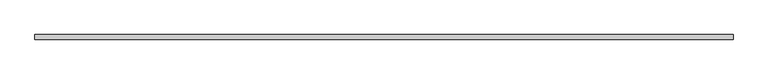
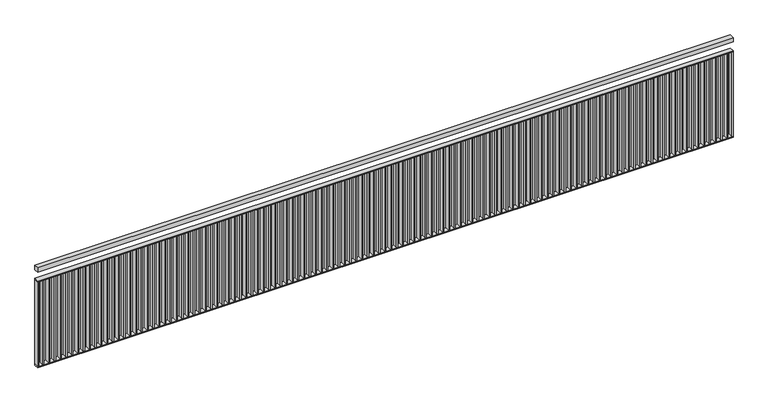
"""IFC4 building model written with IfcOpenShell, lengths in millimetres: railing geometry."""

from ifc_helpers import new_model, si_unit, frame, origin, place, context, project, spatial, polyline, outline, extrude, source, transform, mapped, element, save


def railing_fabb6292(model_context):
    return source(origin(), model_context, "Body", "SweptSolid", [
        extrude(outline(polyline([(1000.0, 1210.0), (1000.0, 1250.0), (7000.0, 1250.0), (7000.0, 1210.0), (1000.0, 1210.0)])), frame((0.0, 0.0, 1960.0), z_axis=(0.0, 0.0, 1.0), x_axis=(1.0, 0.0, 0.0)), (0.0, 0.0, 1.0), 40.0),
        extrude(outline(polyline([(1000.0, 1210.0), (1000.0, 1250.0), (7000.0, 1250.0), (7000.0, 1210.0), (1000.0, 1210.0)])), frame((0.0, 0.0, 1870.0), z_axis=(0.0, 0.0, 1.0), x_axis=(1.0, 0.0, 0.0)), (0.0, 0.0, 1.0), 10.0),
        extrude(outline(polyline([(1000.0, 1210.0), (1000.0, 1250.0), (7000.0, 1250.0), (7000.0, 1210.0), (1000.0, 1210.0)])), frame((0.0, 0.0, 1090.0), z_axis=(0.0, 0.0, 1.0), x_axis=(1.0, 0.0, 0.0)), (0.0, 0.0, 1.0), 10.0),
        extrude(outline(polyline([(6945.0, 1210.0), (6945.0, 1250.0), (6955.0, 1250.0), (6955.0, 1210.0), (6945.0, 1210.0)])), frame((0.0, 0.0, 1100.0), z_axis=(0.0, 0.0, 1.0), x_axis=(1.0, 0.0, 0.0)), (0.0, 0.0, 1.0), 770.0),
        extrude(outline(polyline([(6895.0, 1210.0), (6895.0, 1250.0), (6905.0, 1250.0), (6905.0, 1210.0), (6895.0, 1210.0)])), frame((0.0, 0.0, 1100.0), z_axis=(0.0, 0.0, 1.0), x_axis=(1.0, 0.0, 0.0)), (0.0, 0.0, 1.0), 770.0),
        extrude(outline(polyline([(6845.0, 1210.0), (6845.0, 1250.0), (6855.0, 1250.0), (6855.0, 1210.0), (6845.0, 1210.0)])), frame((0.0, 0.0, 1100.0), z_axis=(0.0, 0.0, 1.0), x_axis=(1.0, 0.0, 0.0)), (0.0, 0.0, 1.0), 770.0),
        extrude(outline(polyline([(6795.0, 1210.0), (6795.0, 1250.0), (6805.0, 1250.0), (6805.0, 1210.0), (6795.0, 1210.0)])), frame((0.0, 0.0, 1100.0), z_axis=(0.0, 0.0, 1.0), x_axis=(1.0, 0.0, 0.0)), (0.0, 0.0, 1.0), 770.0),
        extrude(outline(polyline([(6745.0, 1210.0), (6745.0, 1250.0), (6755.0, 1250.0), (6755.0, 1210.0), (6745.0, 1210.0)])), frame((0.0, 0.0, 1100.0), z_axis=(0.0, 0.0, 1.0), x_axis=(1.0, 0.0, 0.0)), (0.0, 0.0, 1.0), 770.0),
        extrude(outline(polyline([(6695.0, 1210.0), (6695.0, 1250.0), (6705.0, 1250.0), (6705.0, 1210.0), (6695.0, 1210.0)])), frame((0.0, 0.0, 1100.0), z_axis=(0.0, 0.0, 1.0), x_axis=(1.0, 0.0, 0.0)), (0.0, 0.0, 1.0), 770.0),
        extrude(outline(polyline([(6645.0, 1210.0), (6645.0, 1250.0), (6655.0, 1250.0), (6655.0, 1210.0), (6645.0, 1210.0)])), frame((0.0, 0.0, 1100.0), z_axis=(0.0, 0.0, 1.0), x_axis=(1.0, 0.0, 0.0)), (0.0, 0.0, 1.0), 770.0),
        extrude(outline(polyline([(6595.0, 1210.0), (6595.0, 1250.0), (6605.0, 1250.0), (6605.0, 1210.0), (6595.0, 1210.0)])), frame((0.0, 0.0, 1100.0), z_axis=(0.0, 0.0, 1.0), x_axis=(1.0, 0.0, 0.0)), (0.0, 0.0, 1.0), 770.0),
        extrude(outline(polyline([(6545.0, 1210.0), (6545.0, 1250.0), (6555.0, 1250.0), (6555.0, 1210.0), (6545.0, 1210.0)])), frame((0.0, 0.0, 1100.0), z_axis=(0.0, 0.0, 1.0), x_axis=(1.0, 0.0, 0.0)), (0.0, 0.0, 1.0), 770.0),
        extrude(outline(polyline([(6495.0, 1210.0), (6495.0, 1250.0), (6505.0, 1250.0), (6505.0, 1210.0), (6495.0, 1210.0)])), frame((0.0, 0.0, 1100.0), z_axis=(0.0, 0.0, 1.0), x_axis=(1.0, 0.0, 0.0)), (0.0, 0.0, 1.0), 770.0),
        extrude(outline(polyline([(6445.0, 1210.0), (6445.0, 1250.0), (6455.0, 1250.0), (6455.0, 1210.0), (6445.0, 1210.0)])), frame((0.0, 0.0, 1100.0), z_axis=(0.0, 0.0, 1.0), x_axis=(1.0, 0.0, 0.0)), (0.0, 0.0, 1.0), 770.0),
        extrude(outline(polyline([(6395.0, 1210.0), (6395.0, 1250.0), (6405.0, 1250.0), (6405.0, 1210.0), (6395.0, 1210.0)])), frame((0.0, 0.0, 1100.0), z_axis=(0.0, 0.0, 1.0), x_axis=(1.0, 0.0, 0.0)), (0.0, 0.0, 1.0), 770.0),
        extrude(outline(polyline([(6345.0, 1210.0), (6345.0, 1250.0), (6355.0, 1250.0), (6355.0, 1210.0), (6345.0, 1210.0)])), frame((0.0, 0.0, 1100.0), z_axis=(0.0, 0.0, 1.0), x_axis=(1.0, 0.0, 0.0)), (0.0, 0.0, 1.0), 770.0),
        extrude(outline(polyline([(6295.0, 1210.0), (6295.0, 1250.0), (6305.0, 1250.0), (6305.0, 1210.0), (6295.0, 1210.0)])), frame((0.0, 0.0, 1100.0), z_axis=(0.0, 0.0, 1.0), x_axis=(1.0, 0.0, 0.0)), (0.0, 0.0, 1.0), 770.0),
        extrude(outline(polyline([(6245.0, 1210.0), (6245.0, 1250.0), (6255.0, 1250.0), (6255.0, 1210.0), (6245.0, 1210.0)])), frame((0.0, 0.0, 1100.0), z_axis=(0.0, 0.0, 1.0), x_axis=(1.0, 0.0, 0.0)), (0.0, 0.0, 1.0), 770.0),
        extrude(outline(polyline([(6195.0, 1210.0), (6195.0, 1250.0), (6205.0, 1250.0), (6205.0, 1210.0), (6195.0, 1210.0)])), frame((0.0, 0.0, 1100.0), z_axis=(0.0, 0.0, 1.0), x_axis=(1.0, 0.0, 0.0)), (0.0, 0.0, 1.0), 770.0),
        extrude(outline(polyline([(6145.0, 1210.0), (6145.0, 1250.0), (6155.0, 1250.0), (6155.0, 1210.0), (6145.0, 1210.0)])), frame((0.0, 0.0, 1100.0), z_axis=(0.0, 0.0, 1.0), x_axis=(1.0, 0.0, 0.0)), (0.0, 0.0, 1.0), 770.0),
        extrude(outline(polyline([(6095.0, 1210.0), (6095.0, 1250.0), (6105.0, 1250.0), (6105.0, 1210.0), (6095.0, 1210.0)])), frame((0.0, 0.0, 1100.0), z_axis=(0.0, 0.0, 1.0), x_axis=(1.0, 0.0, 0.0)), (0.0, 0.0, 1.0), 770.0),
        extrude(outline(polyline([(6045.0, 1210.0), (6045.0, 1250.0), (6055.0, 1250.0), (6055.0, 1210.0), (6045.0, 1210.0)])), frame((0.0, 0.0, 1100.0), z_axis=(0.0, 0.0, 1.0), x_axis=(1.0, 0.0, 0.0)), (0.0, 0.0, 1.0), 770.0),
        extrude(outline(polyline([(5995.0, 1210.0), (5995.0, 1250.0), (6005.0, 1250.0), (6005.0, 1210.0), (5995.0, 1210.0)])), frame((0.0, 0.0, 1100.0), z_axis=(0.0, 0.0, 1.0), x_axis=(1.0, 0.0, 0.0)), (0.0, 0.0, 1.0), 770.0),
        extrude(outline(polyline([(5945.0, 1210.0), (5945.0, 1250.0), (5955.0, 1250.0), (5955.0, 1210.0), (5945.0, 1210.0)])), frame((0.0, 0.0, 1100.0), z_axis=(0.0, 0.0, 1.0), x_axis=(1.0, 0.0, 0.0)), (0.0, 0.0, 1.0), 770.0),
        extrude(outline(polyline([(5895.0, 1210.0), (5895.0, 1250.0), (5905.0, 1250.0), (5905.0, 1210.0), (5895.0, 1210.0)])), frame((0.0, 0.0, 1100.0), z_axis=(0.0, 0.0, 1.0), x_axis=(1.0, 0.0, 0.0)), (0.0, 0.0, 1.0), 770.0),
        extrude(outline(polyline([(5845.0, 1210.0), (5845.0, 1250.0), (5855.0, 1250.0), (5855.0, 1210.0), (5845.0, 1210.0)])), frame((0.0, 0.0, 1100.0), z_axis=(0.0, 0.0, 1.0), x_axis=(1.0, 0.0, 0.0)), (0.0, 0.0, 1.0), 770.0),
        extrude(outline(polyline([(5795.0, 1210.0), (5795.0, 1250.0), (5805.0, 1250.0), (5805.0, 1210.0), (5795.0, 1210.0)])), frame((0.0, 0.0, 1100.0), z_axis=(0.0, 0.0, 1.0), x_axis=(1.0, 0.0, 0.0)), (0.0, 0.0, 1.0), 770.0),
        extrude(outline(polyline([(5745.0, 1210.0), (5745.0, 1250.0), (5755.0, 1250.0), (5755.0, 1210.0), (5745.0, 1210.0)])), frame((0.0, 0.0, 1100.0), z_axis=(0.0, 0.0, 1.0), x_axis=(1.0, 0.0, 0.0)), (0.0, 0.0, 1.0), 770.0),
        extrude(outline(polyline([(5695.0, 1210.0), (5695.0, 1250.0), (5705.0, 1250.0), (5705.0, 1210.0), (5695.0, 1210.0)])), frame((0.0, 0.0, 1100.0), z_axis=(0.0, 0.0, 1.0), x_axis=(1.0, 0.0, 0.0)), (0.0, 0.0, 1.0), 770.0),
        extrude(outline(polyline([(5645.0, 1210.0), (5645.0, 1250.0), (5655.0, 1250.0), (5655.0, 1210.0), (5645.0, 1210.0)])), frame((0.0, 0.0, 1100.0), z_axis=(0.0, 0.0, 1.0), x_axis=(1.0, 0.0, 0.0)), (0.0, 0.0, 1.0), 770.0),
        extrude(outline(polyline([(5595.0, 1210.0), (5595.0, 1250.0), (5605.0, 1250.0), (5605.0, 1210.0), (5595.0, 1210.0)])), frame((0.0, 0.0, 1100.0), z_axis=(0.0, 0.0, 1.0), x_axis=(1.0, 0.0, 0.0)), (0.0, 0.0, 1.0), 770.0),
        extrude(outline(polyline([(5545.0, 1210.0), (5545.0, 1250.0), (5555.0, 1250.0), (5555.0, 1210.0), (5545.0, 1210.0)])), frame((0.0, 0.0, 1100.0), z_axis=(0.0, 0.0, 1.0), x_axis=(1.0, 0.0, 0.0)), (0.0, 0.0, 1.0), 770.0),
        extrude(outline(polyline([(5495.0, 1210.0), (5495.0, 1250.0), (5505.0, 1250.0), (5505.0, 1210.0), (5495.0, 1210.0)])), frame((0.0, 0.0, 1100.0), z_axis=(0.0, 0.0, 1.0), x_axis=(1.0, 0.0, 0.0)), (0.0, 0.0, 1.0), 770.0),
        extrude(outline(polyline([(5445.0, 1210.0), (5445.0, 1250.0), (5455.0, 1250.0), (5455.0, 1210.0), (5445.0, 1210.0)])), frame((0.0, 0.0, 1100.0), z_axis=(0.0, 0.0, 1.0), x_axis=(1.0, 0.0, 0.0)), (0.0, 0.0, 1.0), 770.0),
        extrude(outline(polyline([(5395.0, 1210.0), (5395.0, 1250.0), (5405.0, 1250.0), (5405.0, 1210.0), (5395.0, 1210.0)])), frame((0.0, 0.0, 1100.0), z_axis=(0.0, 0.0, 1.0), x_axis=(1.0, 0.0, 0.0)), (0.0, 0.0, 1.0), 770.0),
        extrude(outline(polyline([(5345.0, 1210.0), (5345.0, 1250.0), (5355.0, 1250.0), (5355.0, 1210.0), (5345.0, 1210.0)])), frame((0.0, 0.0, 1100.0), z_axis=(0.0, 0.0, 1.0), x_axis=(1.0, 0.0, 0.0)), (0.0, 0.0, 1.0), 770.0),
        extrude(outline(polyline([(5295.0, 1210.0), (5295.0, 1250.0), (5305.0, 1250.0), (5305.0, 1210.0), (5295.0, 1210.0)])), frame((0.0, 0.0, 1100.0), z_axis=(0.0, 0.0, 1.0), x_axis=(1.0, 0.0, 0.0)), (0.0, 0.0, 1.0), 770.0),
        extrude(outline(polyline([(5245.0, 1210.0), (5245.0, 1250.0), (5255.0, 1250.0), (5255.0, 1210.0), (5245.0, 1210.0)])), frame((0.0, 0.0, 1100.0), z_axis=(0.0, 0.0, 1.0), x_axis=(1.0, 0.0, 0.0)), (0.0, 0.0, 1.0), 770.0),
        extrude(outline(polyline([(5195.0, 1210.0), (5195.0, 1250.0), (5205.0, 1250.0), (5205.0, 1210.0), (5195.0, 1210.0)])), frame((0.0, 0.0, 1100.0), z_axis=(0.0, 0.0, 1.0), x_axis=(1.0, 0.0, 0.0)), (0.0, 0.0, 1.0), 770.0),
        extrude(outline(polyline([(5145.0, 1210.0), (5145.0, 1250.0), (5155.0, 1250.0), (5155.0, 1210.0), (5145.0, 1210.0)])), frame((0.0, 0.0, 1100.0), z_axis=(0.0, 0.0, 1.0), x_axis=(1.0, 0.0, 0.0)), (0.0, 0.0, 1.0), 770.0),
        extrude(outline(polyline([(5095.0, 1210.0), (5095.0, 1250.0), (5105.0, 1250.0), (5105.0, 1210.0), (5095.0, 1210.0)])), frame((0.0, 0.0, 1100.0), z_axis=(0.0, 0.0, 1.0), x_axis=(1.0, 0.0, 0.0)), (0.0, 0.0, 1.0), 770.0),
        extrude(outline(polyline([(5045.0, 1210.0), (5045.0, 1250.0), (5055.0, 1250.0), (5055.0, 1210.0), (5045.0, 1210.0)])), frame((0.0, 0.0, 1100.0), z_axis=(0.0, 0.0, 1.0), x_axis=(1.0, 0.0, 0.0)), (0.0, 0.0, 1.0), 770.0),
        extrude(outline(polyline([(4995.0, 1210.0), (4995.0, 1250.0), (5005.0, 1250.0), (5005.0, 1210.0), (4995.0, 1210.0)])), frame((0.0, 0.0, 1100.0), z_axis=(0.0, 0.0, 1.0), x_axis=(1.0, 0.0, 0.0)), (0.0, 0.0, 1.0), 770.0),
        extrude(outline(polyline([(4945.0, 1210.0), (4945.0, 1250.0), (4955.0, 1250.0), (4955.0, 1210.0), (4945.0, 1210.0)])), frame((0.0, 0.0, 1100.0), z_axis=(0.0, 0.0, 1.0), x_axis=(1.0, 0.0, 0.0)), (0.0, 0.0, 1.0), 770.0),
        extrude(outline(polyline([(4895.0, 1210.0), (4895.0, 1250.0), (4905.0, 1250.0), (4905.0, 1210.0), (4895.0, 1210.0)])), frame((0.0, 0.0, 1100.0), z_axis=(0.0, 0.0, 1.0), x_axis=(1.0, 0.0, 0.0)), (0.0, 0.0, 1.0), 770.0),
        extrude(outline(polyline([(4845.0, 1210.0), (4845.0, 1250.0), (4855.0, 1250.0), (4855.0, 1210.0), (4845.0, 1210.0)])), frame((0.0, 0.0, 1100.0), z_axis=(0.0, 0.0, 1.0), x_axis=(1.0, 0.0, 0.0)), (0.0, 0.0, 1.0), 770.0),
        extrude(outline(polyline([(4795.0, 1210.0), (4795.0, 1250.0), (4805.0, 1250.0), (4805.0, 1210.0), (4795.0, 1210.0)])), frame((0.0, 0.0, 1100.0), z_axis=(0.0, 0.0, 1.0), x_axis=(1.0, 0.0, 0.0)), (0.0, 0.0, 1.0), 770.0),
        extrude(outline(polyline([(4745.0, 1210.0), (4745.0, 1250.0), (4755.0, 1250.0), (4755.0, 1210.0), (4745.0, 1210.0)])), frame((0.0, 0.0, 1100.0), z_axis=(0.0, 0.0, 1.0), x_axis=(1.0, 0.0, 0.0)), (0.0, 0.0, 1.0), 770.0),
        extrude(outline(polyline([(4695.0, 1210.0), (4695.0, 1250.0), (4705.0, 1250.0), (4705.0, 1210.0), (4695.0, 1210.0)])), frame((0.0, 0.0, 1100.0), z_axis=(0.0, 0.0, 1.0), x_axis=(1.0, 0.0, 0.0)), (0.0, 0.0, 1.0), 770.0),
        extrude(outline(polyline([(4645.0, 1210.0), (4645.0, 1250.0), (4655.0, 1250.0), (4655.0, 1210.0), (4645.0, 1210.0)])), frame((0.0, 0.0, 1100.0), z_axis=(0.0, 0.0, 1.0), x_axis=(1.0, 0.0, 0.0)), (0.0, 0.0, 1.0), 770.0),
        extrude(outline(polyline([(4595.0, 1210.0), (4595.0, 1250.0), (4605.0, 1250.0), (4605.0, 1210.0), (4595.0, 1210.0)])), frame((0.0, 0.0, 1100.0), z_axis=(0.0, 0.0, 1.0), x_axis=(1.0, 0.0, 0.0)), (0.0, 0.0, 1.0), 770.0),
        extrude(outline(polyline([(4545.0, 1210.0), (4545.0, 1250.0), (4555.0, 1250.0), (4555.0, 1210.0), (4545.0, 1210.0)])), frame((0.0, 0.0, 1100.0), z_axis=(0.0, 0.0, 1.0), x_axis=(1.0, 0.0, 0.0)), (0.0, 0.0, 1.0), 770.0),
        extrude(outline(polyline([(4495.0, 1210.0), (4495.0, 1250.0), (4505.0, 1250.0), (4505.0, 1210.0), (4495.0, 1210.0)])), frame((0.0, 0.0, 1100.0), z_axis=(0.0, 0.0, 1.0), x_axis=(1.0, 0.0, 0.0)), (0.0, 0.0, 1.0), 770.0),
        extrude(outline(polyline([(4445.0, 1210.0), (4445.0, 1250.0), (4455.0, 1250.0), (4455.0, 1210.0), (4445.0, 1210.0)])), frame((0.0, 0.0, 1100.0), z_axis=(0.0, 0.0, 1.0), x_axis=(1.0, 0.0, 0.0)), (0.0, 0.0, 1.0), 770.0),
        extrude(outline(polyline([(4395.0, 1210.0), (4395.0, 1250.0), (4405.0, 1250.0), (4405.0, 1210.0), (4395.0, 1210.0)])), frame((0.0, 0.0, 1100.0), z_axis=(0.0, 0.0, 1.0), x_axis=(1.0, 0.0, 0.0)), (0.0, 0.0, 1.0), 770.0),
        extrude(outline(polyline([(4345.0, 1210.0), (4345.0, 1250.0), (4355.0, 1250.0), (4355.0, 1210.0), (4345.0, 1210.0)])), frame((0.0, 0.0, 1100.0), z_axis=(0.0, 0.0, 1.0), x_axis=(1.0, 0.0, 0.0)), (0.0, 0.0, 1.0), 770.0),
        extrude(outline(polyline([(4295.0, 1210.0), (4295.0, 1250.0), (4305.0, 1250.0), (4305.0, 1210.0), (4295.0, 1210.0)])), frame((0.0, 0.0, 1100.0), z_axis=(0.0, 0.0, 1.0), x_axis=(1.0, 0.0, 0.0)), (0.0, 0.0, 1.0), 770.0),
        extrude(outline(polyline([(4245.0, 1210.0), (4245.0, 1250.0), (4255.0, 1250.0), (4255.0, 1210.0), (4245.0, 1210.0)])), frame((0.0, 0.0, 1100.0), z_axis=(0.0, 0.0, 1.0), x_axis=(1.0, 0.0, 0.0)), (0.0, 0.0, 1.0), 770.0),
        extrude(outline(polyline([(4195.0, 1210.0), (4195.0, 1250.0), (4205.0, 1250.0), (4205.0, 1210.0), (4195.0, 1210.0)])), frame((0.0, 0.0, 1100.0), z_axis=(0.0, 0.0, 1.0), x_axis=(1.0, 0.0, 0.0)), (0.0, 0.0, 1.0), 770.0),
        extrude(outline(polyline([(4145.0, 1210.0), (4145.0, 1250.0), (4155.0, 1250.0), (4155.0, 1210.0), (4145.0, 1210.0)])), frame((0.0, 0.0, 1100.0), z_axis=(0.0, 0.0, 1.0), x_axis=(1.0, 0.0, 0.0)), (0.0, 0.0, 1.0), 770.0),
        extrude(outline(polyline([(4095.0, 1210.0), (4095.0, 1250.0), (4105.0, 1250.0), (4105.0, 1210.0), (4095.0, 1210.0)])), frame((0.0, 0.0, 1100.0), z_axis=(0.0, 0.0, 1.0), x_axis=(1.0, 0.0, 0.0)), (0.0, 0.0, 1.0), 770.0),
        extrude(outline(polyline([(4045.0, 1210.0), (4045.0, 1250.0), (4055.0, 1250.0), (4055.0, 1210.0), (4045.0, 1210.0)])), frame((0.0, 0.0, 1100.0), z_axis=(0.0, 0.0, 1.0), x_axis=(1.0, 0.0, 0.0)), (0.0, 0.0, 1.0), 770.0),
        extrude(outline(polyline([(3995.0, 1210.0), (3995.0, 1250.0), (4005.0, 1250.0), (4005.0, 1210.0), (3995.0, 1210.0)])), frame((0.0, 0.0, 1100.0), z_axis=(0.0, 0.0, 1.0), x_axis=(1.0, 0.0, 0.0)), (0.0, 0.0, 1.0), 770.0),
        extrude(outline(polyline([(3945.0, 1210.0), (3945.0, 1250.0), (3955.0, 1250.0), (3955.0, 1210.0), (3945.0, 1210.0)])), frame((0.0, 0.0, 1100.0), z_axis=(0.0, 0.0, 1.0), x_axis=(1.0, 0.0, 0.0)), (0.0, 0.0, 1.0), 770.0),
        extrude(outline(polyline([(3895.0, 1210.0), (3895.0, 1250.0), (3905.0, 1250.0), (3905.0, 1210.0), (3895.0, 1210.0)])), frame((0.0, 0.0, 1100.0), z_axis=(0.0, 0.0, 1.0), x_axis=(1.0, 0.0, 0.0)), (0.0, 0.0, 1.0), 770.0),
        extrude(outline(polyline([(3845.0, 1210.0), (3845.0, 1250.0), (3855.0, 1250.0), (3855.0, 1210.0), (3845.0, 1210.0)])), frame((0.0, 0.0, 1100.0), z_axis=(0.0, 0.0, 1.0), x_axis=(1.0, 0.0, 0.0)), (0.0, 0.0, 1.0), 770.0),
        extrude(outline(polyline([(3795.0, 1210.0), (3795.0, 1250.0), (3805.0, 1250.0), (3805.0, 1210.0), (3795.0, 1210.0)])), frame((0.0, 0.0, 1100.0), z_axis=(0.0, 0.0, 1.0), x_axis=(1.0, 0.0, 0.0)), (0.0, 0.0, 1.0), 770.0),
        extrude(outline(polyline([(3745.0, 1210.0), (3745.0, 1250.0), (3755.0, 1250.0), (3755.0, 1210.0), (3745.0, 1210.0)])), frame((0.0, 0.0, 1100.0), z_axis=(0.0, 0.0, 1.0), x_axis=(1.0, 0.0, 0.0)), (0.0, 0.0, 1.0), 770.0),
        extrude(outline(polyline([(3695.0, 1210.0), (3695.0, 1250.0), (3705.0, 1250.0), (3705.0, 1210.0), (3695.0, 1210.0)])), frame((0.0, 0.0, 1100.0), z_axis=(0.0, 0.0, 1.0), x_axis=(1.0, 0.0, 0.0)), (0.0, 0.0, 1.0), 770.0),
        extrude(outline(polyline([(3645.0, 1210.0), (3645.0, 1250.0), (3655.0, 1250.0), (3655.0, 1210.0), (3645.0, 1210.0)])), frame((0.0, 0.0, 1100.0), z_axis=(0.0, 0.0, 1.0), x_axis=(1.0, 0.0, 0.0)), (0.0, 0.0, 1.0), 770.0),
        extrude(outline(polyline([(3595.0, 1210.0), (3595.0, 1250.0), (3605.0, 1250.0), (3605.0, 1210.0), (3595.0, 1210.0)])), frame((0.0, 0.0, 1100.0), z_axis=(0.0, 0.0, 1.0), x_axis=(1.0, 0.0, 0.0)), (0.0, 0.0, 1.0), 770.0),
        extrude(outline(polyline([(3545.0, 1210.0), (3545.0, 1250.0), (3555.0, 1250.0), (3555.0, 1210.0), (3545.0, 1210.0)])), frame((0.0, 0.0, 1100.0), z_axis=(0.0, 0.0, 1.0), x_axis=(1.0, 0.0, 0.0)), (0.0, 0.0, 1.0), 770.0),
        extrude(outline(polyline([(3495.0, 1210.0), (3495.0, 1250.0), (3505.0, 1250.0), (3505.0, 1210.0), (3495.0, 1210.0)])), frame((0.0, 0.0, 1100.0), z_axis=(0.0, 0.0, 1.0), x_axis=(1.0, 0.0, 0.0)), (0.0, 0.0, 1.0), 770.0),
        extrude(outline(polyline([(3445.0, 1210.0), (3445.0, 1250.0), (3455.0, 1250.0), (3455.0, 1210.0), (3445.0, 1210.0)])), frame((0.0, 0.0, 1100.0), z_axis=(0.0, 0.0, 1.0), x_axis=(1.0, 0.0, 0.0)), (0.0, 0.0, 1.0), 770.0),
        extrude(outline(polyline([(3395.0, 1210.0), (3395.0, 1250.0), (3405.0, 1250.0), (3405.0, 1210.0), (3395.0, 1210.0)])), frame((0.0, 0.0, 1100.0), z_axis=(0.0, 0.0, 1.0), x_axis=(1.0, 0.0, 0.0)), (0.0, 0.0, 1.0), 770.0),
        extrude(outline(polyline([(3345.0, 1210.0), (3345.0, 1250.0), (3355.0, 1250.0), (3355.0, 1210.0), (3345.0, 1210.0)])), frame((0.0, 0.0, 1100.0), z_axis=(0.0, 0.0, 1.0), x_axis=(1.0, 0.0, 0.0)), (0.0, 0.0, 1.0), 770.0),
        extrude(outline(polyline([(3295.0, 1210.0), (3295.0, 1250.0), (3305.0, 1250.0), (3305.0, 1210.0), (3295.0, 1210.0)])), frame((0.0, 0.0, 1100.0), z_axis=(0.0, 0.0, 1.0), x_axis=(1.0, 0.0, 0.0)), (0.0, 0.0, 1.0), 770.0),
        extrude(outline(polyline([(3245.0, 1210.0), (3245.0, 1250.0), (3255.0, 1250.0), (3255.0, 1210.0), (3245.0, 1210.0)])), frame((0.0, 0.0, 1100.0), z_axis=(0.0, 0.0, 1.0), x_axis=(1.0, 0.0, 0.0)), (0.0, 0.0, 1.0), 770.0),
        extrude(outline(polyline([(3195.0, 1210.0), (3195.0, 1250.0), (3205.0, 1250.0), (3205.0, 1210.0), (3195.0, 1210.0)])), frame((0.0, 0.0, 1100.0), z_axis=(0.0, 0.0, 1.0), x_axis=(1.0, 0.0, 0.0)), (0.0, 0.0, 1.0), 770.0),
        extrude(outline(polyline([(3145.0, 1210.0), (3145.0, 1250.0), (3155.0, 1250.0), (3155.0, 1210.0), (3145.0, 1210.0)])), frame((0.0, 0.0, 1100.0), z_axis=(0.0, 0.0, 1.0), x_axis=(1.0, 0.0, 0.0)), (0.0, 0.0, 1.0), 770.0),
        extrude(outline(polyline([(3095.0, 1210.0), (3095.0, 1250.0), (3105.0, 1250.0), (3105.0, 1210.0), (3095.0, 1210.0)])), frame((0.0, 0.0, 1100.0), z_axis=(0.0, 0.0, 1.0), x_axis=(1.0, 0.0, 0.0)), (0.0, 0.0, 1.0), 770.0),
        extrude(outline(polyline([(3045.0, 1210.0), (3045.0, 1250.0), (3055.0, 1250.0), (3055.0, 1210.0), (3045.0, 1210.0)])), frame((0.0, 0.0, 1100.0), z_axis=(0.0, 0.0, 1.0), x_axis=(1.0, 0.0, 0.0)), (0.0, 0.0, 1.0), 770.0),
        extrude(outline(polyline([(2995.0, 1210.0), (2995.0, 1250.0), (3005.0, 1250.0), (3005.0, 1210.0), (2995.0, 1210.0)])), frame((0.0, 0.0, 1100.0), z_axis=(0.0, 0.0, 1.0), x_axis=(1.0, 0.0, 0.0)), (0.0, 0.0, 1.0), 770.0),
        extrude(outline(polyline([(2945.0, 1210.0), (2945.0, 1250.0), (2955.0, 1250.0), (2955.0, 1210.0), (2945.0, 1210.0)])), frame((0.0, 0.0, 1100.0), z_axis=(0.0, 0.0, 1.0), x_axis=(1.0, 0.0, 0.0)), (0.0, 0.0, 1.0), 770.0),
        extrude(outline(polyline([(2895.0, 1210.0), (2895.0, 1250.0), (2905.0, 1250.0), (2905.0, 1210.0), (2895.0, 1210.0)])), frame((0.0, 0.0, 1100.0), z_axis=(0.0, 0.0, 1.0), x_axis=(1.0, 0.0, 0.0)), (0.0, 0.0, 1.0), 770.0),
        extrude(outline(polyline([(2845.0, 1210.0), (2845.0, 1250.0), (2855.0, 1250.0), (2855.0, 1210.0), (2845.0, 1210.0)])), frame((0.0, 0.0, 1100.0), z_axis=(0.0, 0.0, 1.0), x_axis=(1.0, 0.0, 0.0)), (0.0, 0.0, 1.0), 770.0),
        extrude(outline(polyline([(2795.0, 1210.0), (2795.0, 1250.0), (2805.0, 1250.0), (2805.0, 1210.0), (2795.0, 1210.0)])), frame((0.0, 0.0, 1100.0), z_axis=(0.0, 0.0, 1.0), x_axis=(1.0, 0.0, 0.0)), (0.0, 0.0, 1.0), 770.0),
        extrude(outline(polyline([(2745.0, 1210.0), (2745.0, 1250.0), (2755.0, 1250.0), (2755.0, 1210.0), (2745.0, 1210.0)])), frame((0.0, 0.0, 1100.0), z_axis=(0.0, 0.0, 1.0), x_axis=(1.0, 0.0, 0.0)), (0.0, 0.0, 1.0), 770.0),
        extrude(outline(polyline([(2695.0, 1210.0), (2695.0, 1250.0), (2705.0, 1250.0), (2705.0, 1210.0), (2695.0, 1210.0)])), frame((0.0, 0.0, 1100.0), z_axis=(0.0, 0.0, 1.0), x_axis=(1.0, 0.0, 0.0)), (0.0, 0.0, 1.0), 770.0),
        extrude(outline(polyline([(2645.0, 1210.0), (2645.0, 1250.0), (2655.0, 1250.0), (2655.0, 1210.0), (2645.0, 1210.0)])), frame((0.0, 0.0, 1100.0), z_axis=(0.0, 0.0, 1.0), x_axis=(1.0, 0.0, 0.0)), (0.0, 0.0, 1.0), 770.0),
        extrude(outline(polyline([(2595.0, 1210.0), (2595.0, 1250.0), (2605.0, 1250.0), (2605.0, 1210.0), (2595.0, 1210.0)])), frame((0.0, 0.0, 1100.0), z_axis=(0.0, 0.0, 1.0), x_axis=(1.0, 0.0, 0.0)), (0.0, 0.0, 1.0), 770.0),
        extrude(outline(polyline([(2545.0, 1210.0), (2545.0, 1250.0), (2555.0, 1250.0), (2555.0, 1210.0), (2545.0, 1210.0)])), frame((0.0, 0.0, 1100.0), z_axis=(0.0, 0.0, 1.0), x_axis=(1.0, 0.0, 0.0)), (0.0, 0.0, 1.0), 770.0),
        extrude(outline(polyline([(2495.0, 1210.0), (2495.0, 1250.0), (2505.0, 1250.0), (2505.0, 1210.0), (2495.0, 1210.0)])), frame((0.0, 0.0, 1100.0), z_axis=(0.0, 0.0, 1.0), x_axis=(1.0, 0.0, 0.0)), (0.0, 0.0, 1.0), 770.0),
        extrude(outline(polyline([(2445.0, 1210.0), (2445.0, 1250.0), (2455.0, 1250.0), (2455.0, 1210.0), (2445.0, 1210.0)])), frame((0.0, 0.0, 1100.0), z_axis=(0.0, 0.0, 1.0), x_axis=(1.0, 0.0, 0.0)), (0.0, 0.0, 1.0), 770.0),
        extrude(outline(polyline([(2395.0, 1210.0), (2395.0, 1250.0), (2405.0, 1250.0), (2405.0, 1210.0), (2395.0, 1210.0)])), frame((0.0, 0.0, 1100.0), z_axis=(0.0, 0.0, 1.0), x_axis=(1.0, 0.0, 0.0)), (0.0, 0.0, 1.0), 770.0),
        extrude(outline(polyline([(2345.0, 1210.0), (2345.0, 1250.0), (2355.0, 1250.0), (2355.0, 1210.0), (2345.0, 1210.0)])), frame((0.0, 0.0, 1100.0), z_axis=(0.0, 0.0, 1.0), x_axis=(1.0, 0.0, 0.0)), (0.0, 0.0, 1.0), 770.0),
        extrude(outline(polyline([(2295.0, 1210.0), (2295.0, 1250.0), (2305.0, 1250.0), (2305.0, 1210.0), (2295.0, 1210.0)])), frame((0.0, 0.0, 1100.0), z_axis=(0.0, 0.0, 1.0), x_axis=(1.0, 0.0, 0.0)), (0.0, 0.0, 1.0), 770.0),
        extrude(outline(polyline([(2245.0, 1210.0), (2245.0, 1250.0), (2255.0, 1250.0), (2255.0, 1210.0), (2245.0, 1210.0)])), frame((0.0, 0.0, 1100.0), z_axis=(0.0, 0.0, 1.0), x_axis=(1.0, 0.0, 0.0)), (0.0, 0.0, 1.0), 770.0),
        extrude(outline(polyline([(2195.0, 1210.0), (2195.0, 1250.0), (2205.0, 1250.0), (2205.0, 1210.0), (2195.0, 1210.0)])), frame((0.0, 0.0, 1100.0), z_axis=(0.0, 0.0, 1.0), x_axis=(1.0, 0.0, 0.0)), (0.0, 0.0, 1.0), 770.0),
        extrude(outline(polyline([(2145.0, 1210.0), (2145.0, 1250.0), (2155.0, 1250.0), (2155.0, 1210.0), (2145.0, 1210.0)])), frame((0.0, 0.0, 1100.0), z_axis=(0.0, 0.0, 1.0), x_axis=(1.0, 0.0, 0.0)), (0.0, 0.0, 1.0), 770.0),
        extrude(outline(polyline([(2095.0, 1210.0), (2095.0, 1250.0), (2105.0, 1250.0), (2105.0, 1210.0), (2095.0, 1210.0)])), frame((0.0, 0.0, 1100.0), z_axis=(0.0, 0.0, 1.0), x_axis=(1.0, 0.0, 0.0)), (0.0, 0.0, 1.0), 770.0),
        extrude(outline(polyline([(2045.0, 1210.0), (2045.0, 1250.0), (2055.0, 1250.0), (2055.0, 1210.0), (2045.0, 1210.0)])), frame((0.0, 0.0, 1100.0), z_axis=(0.0, 0.0, 1.0), x_axis=(1.0, 0.0, 0.0)), (0.0, 0.0, 1.0), 770.0),
        extrude(outline(polyline([(1995.0, 1210.0), (1995.0, 1250.0), (2005.0, 1250.0), (2005.0, 1210.0), (1995.0, 1210.0)])), frame((0.0, 0.0, 1100.0), z_axis=(0.0, 0.0, 1.0), x_axis=(1.0, 0.0, 0.0)), (0.0, 0.0, 1.0), 770.0),
        extrude(outline(polyline([(1945.0, 1210.0), (1945.0, 1250.0), (1955.0, 1250.0), (1955.0, 1210.0), (1945.0, 1210.0)])), frame((0.0, 0.0, 1100.0), z_axis=(0.0, 0.0, 1.0), x_axis=(1.0, 0.0, 0.0)), (0.0, 0.0, 1.0), 770.0),
        extrude(outline(polyline([(1895.0, 1210.0), (1895.0, 1250.0), (1905.0, 1250.0), (1905.0, 1210.0), (1895.0, 1210.0)])), frame((0.0, 0.0, 1100.0), z_axis=(0.0, 0.0, 1.0), x_axis=(1.0, 0.0, 0.0)), (0.0, 0.0, 1.0), 770.0),
        extrude(outline(polyline([(1845.0, 1210.0), (1845.0, 1250.0), (1855.0, 1250.0), (1855.0, 1210.0), (1845.0, 1210.0)])), frame((0.0, 0.0, 1100.0), z_axis=(0.0, 0.0, 1.0), x_axis=(1.0, 0.0, 0.0)), (0.0, 0.0, 1.0), 770.0),
        extrude(outline(polyline([(1795.0, 1210.0), (1795.0, 1250.0), (1805.0, 1250.0), (1805.0, 1210.0), (1795.0, 1210.0)])), frame((0.0, 0.0, 1100.0), z_axis=(0.0, 0.0, 1.0), x_axis=(1.0, 0.0, 0.0)), (0.0, 0.0, 1.0), 770.0),
        extrude(outline(polyline([(1745.0, 1210.0), (1745.0, 1250.0), (1755.0, 1250.0), (1755.0, 1210.0), (1745.0, 1210.0)])), frame((0.0, 0.0, 1100.0), z_axis=(0.0, 0.0, 1.0), x_axis=(1.0, 0.0, 0.0)), (0.0, 0.0, 1.0), 770.0),
        extrude(outline(polyline([(1695.0, 1210.0), (1695.0, 1250.0), (1705.0, 1250.0), (1705.0, 1210.0), (1695.0, 1210.0)])), frame((0.0, 0.0, 1100.0), z_axis=(0.0, 0.0, 1.0), x_axis=(1.0, 0.0, 0.0)), (0.0, 0.0, 1.0), 770.0),
        extrude(outline(polyline([(1645.0, 1210.0), (1645.0, 1250.0), (1655.0, 1250.0), (1655.0, 1210.0), (1645.0, 1210.0)])), frame((0.0, 0.0, 1100.0), z_axis=(0.0, 0.0, 1.0), x_axis=(1.0, 0.0, 0.0)), (0.0, 0.0, 1.0), 770.0),
        extrude(outline(polyline([(1595.0, 1210.0), (1595.0, 1250.0), (1605.0, 1250.0), (1605.0, 1210.0), (1595.0, 1210.0)])), frame((0.0, 0.0, 1100.0), z_axis=(0.0, 0.0, 1.0), x_axis=(1.0, 0.0, 0.0)), (0.0, 0.0, 1.0), 770.0),
        extrude(outline(polyline([(1545.0, 1210.0), (1545.0, 1250.0), (1555.0, 1250.0), (1555.0, 1210.0), (1545.0, 1210.0)])), frame((0.0, 0.0, 1100.0), z_axis=(0.0, 0.0, 1.0), x_axis=(1.0, 0.0, 0.0)), (0.0, 0.0, 1.0), 770.0),
        extrude(outline(polyline([(1495.0, 1210.0), (1495.0, 1250.0), (1505.0, 1250.0), (1505.0, 1210.0), (1495.0, 1210.0)])), frame((0.0, 0.0, 1100.0), z_axis=(0.0, 0.0, 1.0), x_axis=(1.0, 0.0, 0.0)), (0.0, 0.0, 1.0), 770.0),
        extrude(outline(polyline([(1445.0, 1210.0), (1445.0, 1250.0), (1455.0, 1250.0), (1455.0, 1210.0), (1445.0, 1210.0)])), frame((0.0, 0.0, 1100.0), z_axis=(0.0, 0.0, 1.0), x_axis=(1.0, 0.0, 0.0)), (0.0, 0.0, 1.0), 770.0),
        extrude(outline(polyline([(1395.0, 1210.0), (1395.0, 1250.0), (1405.0, 1250.0), (1405.0, 1210.0), (1395.0, 1210.0)])), frame((0.0, 0.0, 1100.0), z_axis=(0.0, 0.0, 1.0), x_axis=(1.0, 0.0, 0.0)), (0.0, 0.0, 1.0), 770.0),
        extrude(outline(polyline([(1345.0, 1210.0), (1345.0, 1250.0), (1355.0, 1250.0), (1355.0, 1210.0), (1345.0, 1210.0)])), frame((0.0, 0.0, 1100.0), z_axis=(0.0, 0.0, 1.0), x_axis=(1.0, 0.0, 0.0)), (0.0, 0.0, 1.0), 770.0),
        extrude(outline(polyline([(1295.0, 1210.0), (1295.0, 1250.0), (1305.0, 1250.0), (1305.0, 1210.0), (1295.0, 1210.0)])), frame((0.0, 0.0, 1100.0), z_axis=(0.0, 0.0, 1.0), x_axis=(1.0, 0.0, 0.0)), (0.0, 0.0, 1.0), 770.0),
        extrude(outline(polyline([(1245.0, 1210.0), (1245.0, 1250.0), (1255.0, 1250.0), (1255.0, 1210.0), (1245.0, 1210.0)])), frame((0.0, 0.0, 1100.0), z_axis=(0.0, 0.0, 1.0), x_axis=(1.0, 0.0, 0.0)), (0.0, 0.0, 1.0), 770.0),
        extrude(outline(polyline([(1195.0, 1210.0), (1195.0, 1250.0), (1205.0, 1250.0), (1205.0, 1210.0), (1195.0, 1210.0)])), frame((0.0, 0.0, 1100.0), z_axis=(0.0, 0.0, 1.0), x_axis=(1.0, 0.0, 0.0)), (0.0, 0.0, 1.0), 770.0),
        extrude(outline(polyline([(1145.0, 1210.0), (1145.0, 1250.0), (1155.0, 1250.0), (1155.0, 1210.0), (1145.0, 1210.0)])), frame((0.0, 0.0, 1100.0), z_axis=(0.0, 0.0, 1.0), x_axis=(1.0, 0.0, 0.0)), (0.0, 0.0, 1.0), 770.0),
        extrude(outline(polyline([(1095.0, 1210.0), (1095.0, 1250.0), (1105.0, 1250.0), (1105.0, 1210.0), (1095.0, 1210.0)])), frame((0.0, 0.0, 1100.0), z_axis=(0.0, 0.0, 1.0), x_axis=(1.0, 0.0, 0.0)), (0.0, 0.0, 1.0), 770.0),
        extrude(outline(polyline([(1045.0, 1210.0), (1045.0, 1250.0), (1055.0, 1250.0), (1055.0, 1210.0), (1045.0, 1210.0)])), frame((0.0, 0.0, 1100.0), z_axis=(0.0, 0.0, 1.0), x_axis=(1.0, 0.0, 0.0)), (0.0, 0.0, 1.0), 770.0),
        extrude(outline(polyline([(6990.0, 1210.0), (6990.0, 1250.0), (7000.0, 1250.0), (7000.0, 1210.0), (6990.0, 1210.0)])), frame((0.0, 0.0, 1100.0), z_axis=(0.0, 0.0, 1.0), x_axis=(1.0, 0.0, 0.0)), (0.0, 0.0, 1.0), 770.0),
        extrude(outline(polyline([(1000.0, 1210.0), (1000.0, 1250.0), (1010.0, 1250.0), (1010.0, 1210.0), (1000.0, 1210.0)])), frame((0.0, 0.0, 1100.0), z_axis=(0.0, 0.0, 1.0), x_axis=(1.0, 0.0, 0.0)), (0.0, 0.0, 1.0), 770.0),
    ])


if __name__ == "__main__":
    model = new_model("IFC4")
    model_context = context("Model", 3, world=origin())
    ifc_project = project(units=[si_unit("LENGTHUNIT", "METRE", prefix="MILLI")], contexts=[model_context])
    site = spatial("IfcSite", under=ifc_project)
    building = spatial("IfcBuilding", under=site)
    placement = place(None, origin())
    railing_shape = railing_fabb6292(model_context)
    element("IfcRailing", 1, at=placement, inside=building, context=model_context, shape_type="MappedRepresentation", body=[
        mapped(railing_shape, transform((0.0, 0.0, 0.0), x_axis=(1.0, 0.0, 0.0), y_axis=(0.0, 1.0, 0.0), z_axis=(0.0, 0.0, 1.0))),
    ])
    save(model, "model.ifc")
